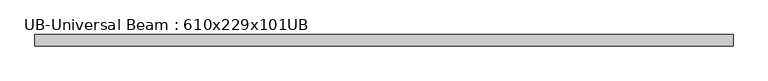
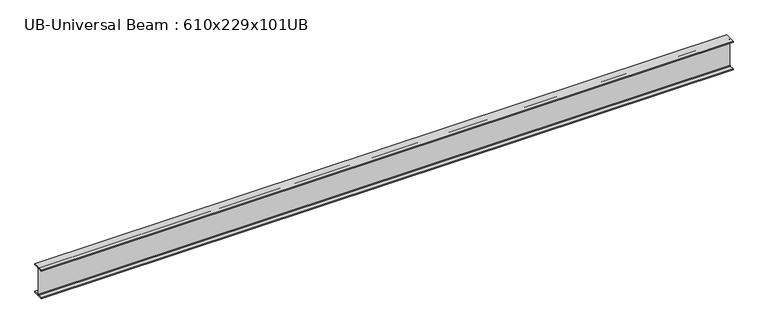
"""IFC4 building model written with IfcOpenShell, lengths in millimetres: beam geometry, UB-Universal Beam : 610x229x101UB."""

from ifc_helpers import new_model, si_unit, point, frame, frame_2d, origin, place, context, project, spatial, polyline, circle_curve, trimmed, segment, composite_curve, outline, extrude, source, transform, mapped, element, save


def ub_universal_beam_610x229x101ub_232225d4(model_context):
    return source(origin(), model_context, "Body", "SweptSolid", [
        extrude(outline(composite_curve([segment(polyline([(113.8, -286.5), (113.8, -301.3), (-113.8, -301.3), (-113.8, -286.5), (-17.95, -286.5)]), True, "CONTINUOUS"), segment(trimmed(circle_curve(frame_2d((-17.95, -273.8)), 12.7), [point((-17.95, -286.5))], [point((-5.25, -273.8))], True, "CARTESIAN"), True, "CONTINUOUS"), segment(polyline([(-5.25, -273.8), (-5.25, 273.8)]), True, "CONTINUOUS"), segment(trimmed(circle_curve(frame_2d((-17.95, 273.8)), 12.7), [point((-5.25, 273.8))], [point((-17.95, 286.5))], True, "CARTESIAN"), True, "CONTINUOUS"), segment(polyline([(-17.95, 286.5), (-113.8, 286.5), (-113.8, 301.3), (113.8, 301.3), (113.8, 286.5), (17.95, 286.5)]), True, "CONTINUOUS"), segment(trimmed(circle_curve(frame_2d((17.95, 273.8)), 12.7), [point((17.95, 286.5))], [point((5.25, 273.8))], True, "CARTESIAN"), True, "CONTINUOUS"), segment(polyline([(5.25, 273.8), (5.25, -273.8)]), True, "CONTINUOUS"), segment(trimmed(circle_curve(frame_2d((17.95, -273.8)), 12.7), [point((5.25, -273.8))], [point((17.95, -286.5))], True, "CARTESIAN"), True, "CONTINUOUS"), segment(polyline([(17.95, -286.5), (113.8, -286.5)]), True, "CONTINUOUS")], self_intersect=False)), frame((-6921.7694035, 0.0, 0.0), z_axis=(1.0, 0.0, 0.0), x_axis=(0.0, 1.0, 0.0)), (0.0, 0.0, 1.0), 13970.271505),
    ])


if __name__ == "__main__":
    model = new_model("IFC4")
    model_context = context("Model", 3, world=origin())
    ifc_project = project(units=[si_unit("LENGTHUNIT", "METRE", prefix="MILLI")], contexts=[model_context])
    site = spatial("IfcSite", under=ifc_project)
    building = spatial("IfcBuilding", under=site)
    placement = place(None, origin())
    ub_universal_beam_610x229x101ub_shape = ub_universal_beam_610x229x101ub_232225d4(model_context)
    element("IfcBeam", 1, ObjectType="UB-Universal Beam : 610x229x101UB", at=placement, inside=building, context=model_context, shape_type="MappedRepresentation", body=[
        mapped(ub_universal_beam_610x229x101ub_shape, transform((0.0, 0.0, 0.0), x_axis=(1.0, 0.0, 0.0), y_axis=(0.0, 1.0, 0.0), z_axis=(0.0, 0.0, 1.0))),
    ])
    save(model, "model.ifc")
